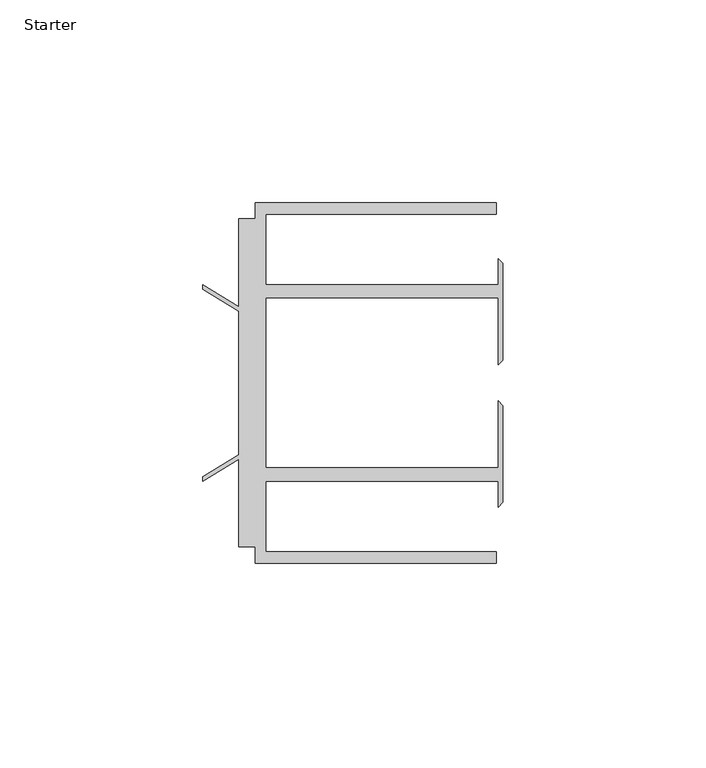
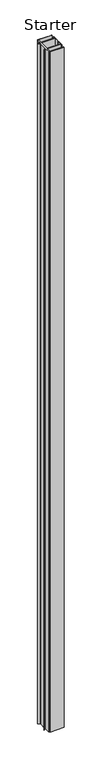
"""IFC4 building model written with IfcOpenShell, lengths in millimetres: furniture geometry, Starter."""

from ifc_helpers import new_model, si_unit, origin, origin_with_axes, place, context, project, spatial, polyline, outline, extrude, source, transform, mapped, element, save


def starter_aaa095c8(model_context):
    return source(origin(), model_context, "Body", "SweptSolid", [
        extrude(outline(polyline([(33.9771533, 59.951805), (93.4771531, 59.951805), (93.4771531, 57.1518064), (36.5771534, 57.1518064), (36.5771534, 39.7518058), (93.9195633, 39.7518058), (93.9195633, 46.1177636), (95.0646531, 44.9726737), (95.0646531, 21.086411), (93.9195633, 19.9413211), (93.9195633, 36.4518057), (36.5771534, 36.4518057), (36.5771534, -5.4481956), (93.9195633, -5.4481956), (93.9195633, 11.062289), (95.0646531, 9.9171991), (95.0646531, -13.9690637), (93.9195633, -15.1141535), (93.9195633, -8.7481957), (36.5771534, -8.7481957), (36.5771534, -26.1481963), (93.4771531, -26.1481963), (93.4771531, -28.948195), (33.9771533, -28.948195), (33.9771533, -24.9481962), (29.9771531, -24.9481962), (29.9771531, -3.3413694), (21.0330919, -8.7481957), (21.0330919, -7.5934952), (29.9771531, -2.1866688), (29.9771531, 33.1902789), (21.0330919, 38.5971052), (21.0330919, 39.7518058), (29.9771531, 34.3449795), (29.9771531, 55.9518063), (33.9771533, 55.9518063), (33.9771533, 59.951805)])), origin_with_axes(), (0.0, 0.0, 1.0), 3048.0),
    ])


if __name__ == "__main__":
    model = new_model("IFC4")
    model_context = context("Model", 3, world=origin())
    ifc_project = project(units=[si_unit("LENGTHUNIT", "METRE", prefix="MILLI")], contexts=[model_context])
    site = spatial("IfcSite", under=ifc_project)
    building = spatial("IfcBuilding", under=site)
    placement = place(None, origin())
    starter_shape = starter_aaa095c8(model_context)
    element("IfcFurniture", 1, ObjectType="Starter", at=placement, inside=building, context=model_context, shape_type="MappedRepresentation", body=[
        mapped(starter_shape, transform((0.0, 0.0, 0.0), x_axis=(1.0, 0.0, 0.0), y_axis=(0.0, 1.0, 0.0), z_axis=(0.0, 0.0, 1.0))),
    ])
    save(model, "model.ifc")
